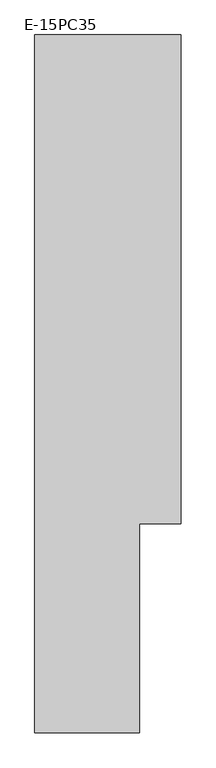
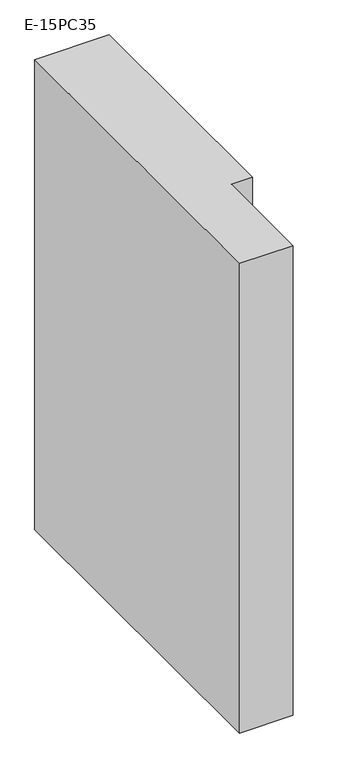
"""IFC4 building model written with IfcOpenShell, lengths in millimetres: column geometry, E-15PC35."""

from ifc_helpers import new_model, si_unit, frame, origin, place, context, project, spatial, polyline, outline, extrude, source, transform, mapped, element, save


def e_15pc35_ae2f4e3a(model_context):
    return source(origin(), model_context, "Body", "SweptSolid", [
        extrude(outline(polyline([(0.0, 720.0), (420.0, 720.0), (420.0, -680.0), (300.0, -680.0), (300.0, -1280.0), (0.0, -1280.0), (0.0, 720.0)])), frame((0.0, 0.0, 26000.0), z_axis=(0.0, 0.0, 1.0), x_axis=(1.0, 0.0, 0.0)), (0.0, 0.0, 1.0), 2800.0),
    ])


if __name__ == "__main__":
    model = new_model("IFC4")
    model_context = context("Model", 3, world=origin())
    ifc_project = project(units=[si_unit("LENGTHUNIT", "METRE", prefix="MILLI")], contexts=[model_context])
    site = spatial("IfcSite", under=ifc_project)
    building = spatial("IfcBuilding", under=site)
    placement = place(None, origin())
    e_15pc35_shape = e_15pc35_ae2f4e3a(model_context)
    element("IfcColumn", 1, ObjectType="E-15PC35", at=placement, inside=building, context=model_context, shape_type="MappedRepresentation", body=[
        mapped(e_15pc35_shape, transform((0.0, 0.0, 0.0), x_axis=(1.0, 0.0, 0.0), y_axis=(0.0, 1.0, 0.0), z_axis=(0.0, 0.0, 1.0))),
    ])
    save(model, "model.ifc")
